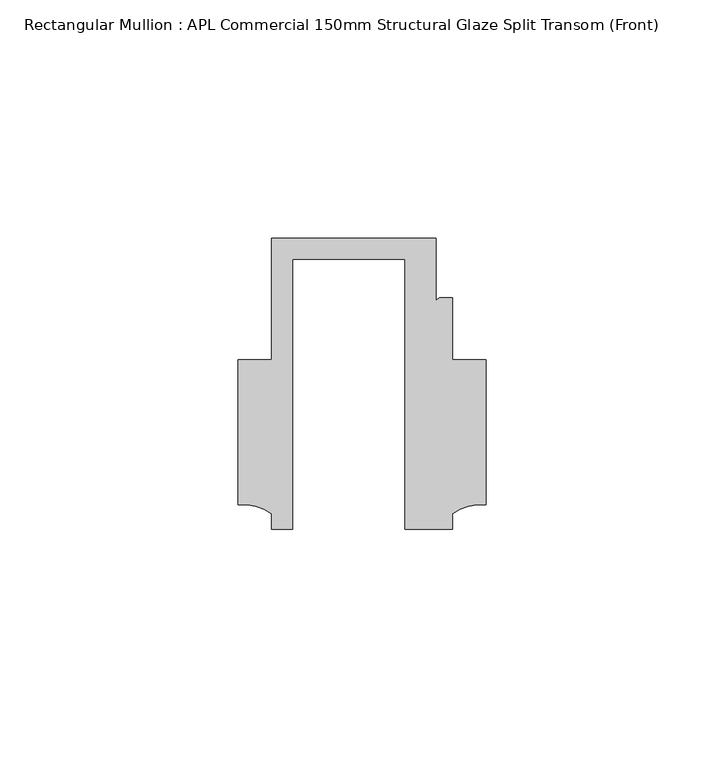
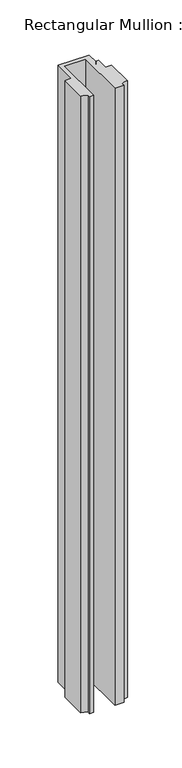
"""IFC4 building model written with IfcOpenShell, lengths in millimetres: member geometry, Rectangular Mullion : APL Commercial 150mm Structural Glaze Split Transom (Front)."""

from ifc_helpers import new_model, si_unit, point, frame, frame_2d, origin, place, context, project, spatial, polyline, circle_curve, trimmed, segment, composite_curve, outline, extrude, source, transform, mapped, element, save


def rectangular_mullion_apl_commercial_150mm_structural_glaze_f5aea60a(model_context):
    return source(origin(), model_context, "Body", "SweptSolid", [
        extrude(outline(composite_curve([segment(polyline([(-23.5949354, -20.5), (-28.0000482, -20.5), (-28.0000482, -17.3123419)]), True, "CONTINUOUS"), segment(trimmed(circle_curve(frame_2d((-34.10985, -25.7980019)), 10.4563907), [point((-28.0000482, -17.3123419))], [point((-34.9999873, -15.3795682))], True, "CARTESIAN"), True, "CONTINUOUS"), segment(polyline([(-34.9999873, -15.3795682), (-34.9999873, 15.001276), (-28.0000482, 15.001276), (-28.0000482, 40.499932), (6.5000029, 40.499932), (6.5000029, 27.0002131)]), True, "CONTINUOUS"), segment(trimmed(circle_curve(frame_2d((7.5000029, 27.0002131)), 1.0), [point((6.5000029, 27.0002131))], [point((7.5000029, 28.0002131))], False, "CARTESIAN"), True, "CONTINUOUS"), segment(polyline([(7.5000029, 28.0002131), (10.0000029, 28.0002131), (10.0000029, 15.0004617), (16.999942, 15.0004617), (16.999942, -15.3793686)]), True, "CONTINUOUS"), segment(trimmed(circle_curve(frame_2d((16.1098048, -25.7978024)), 10.4563907), [point((16.999942, -15.3793686))], [point((10.0000029, -17.3121423))], True, "CARTESIAN"), True, "CONTINUOUS"), segment(polyline([(10.0000029, -17.3121423), (10.0000029, -20.5), (0.0, -20.5), (0.0, 36.1008577), (-23.5949354, 36.1008577), (-23.5949354, -20.5)]), True, "CONTINUOUS")], self_intersect=False)), frame((0.0, 0.0, -726.0243869), z_axis=(0.0, 0.0, 1.0), x_axis=(1.0, 0.0, 0.0)), (0.0, 0.0, 1.0), 726.0243869),
    ])


if __name__ == "__main__":
    model = new_model("IFC4")
    model_context = context("Model", 3, world=origin())
    ifc_project = project(units=[si_unit("LENGTHUNIT", "METRE", prefix="MILLI")], contexts=[model_context])
    site = spatial("IfcSite", under=ifc_project)
    building = spatial("IfcBuilding", under=site)
    placement = place(None, origin())
    rectangular_mullion_apl_commercial_150mm_structural_glaze_shape = rectangular_mullion_apl_commercial_150mm_structural_glaze_f5aea60a(model_context)
    element("IfcMember", 1, ObjectType="Rectangular Mullion : APL Commercial 150mm Structural Glaze Split Transom (Front)", at=placement, inside=building, context=model_context, shape_type="MappedRepresentation", body=[
        mapped(rectangular_mullion_apl_commercial_150mm_structural_glaze_shape, transform((0.0, 0.0, 0.0), x_axis=(1.0, 0.0, 0.0), y_axis=(0.0, 1.0, 0.0), z_axis=(0.0, 0.0, 1.0))),
    ])
    save(model, "model.ifc")
